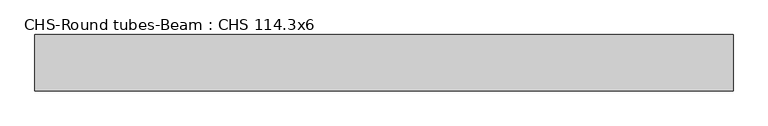
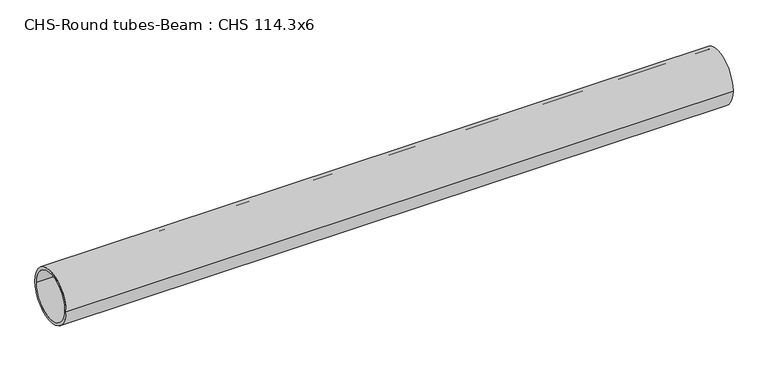
"""IFC4 building model written with IfcOpenShell, lengths in millimetres: beam geometry, CHS-Round tubes-Beam : CHS 114.3x6."""

from ifc_helpers import new_model, si_unit, point, frame, origin, origin_2d, place, context, project, spatial, circle_curve, trimmed, segment, composite_curve, outline, extrude, source, transform, mapped, element, save


def chs_round_tubes_beam_chs_114_3x6_7c3bb2f4(model_context):
    return source(origin(), model_context, "Body", "SweptSolid", [
        extrude(outline(composite_curve([segment(trimmed(circle_curve(origin_2d(), 57.15), [point((57.15, 0.0))], [point((-57.15, 0.0))], False, "CARTESIAN"), True, "CONTINUOUS"), segment(trimmed(circle_curve(origin_2d(), 57.15), [point((-57.15, 0.0))], [point((57.15, 0.0))], False, "CARTESIAN"), True, "CONTINUOUS")], self_intersect=False), holes=[composite_curve([segment(trimmed(circle_curve(origin_2d(), 51.15), [point((51.15, 0.0))], [point((-51.15, 0.0))], True, "CARTESIAN"), True, "CONTINUOUS"), segment(trimmed(circle_curve(origin_2d(), 51.15), [point((-51.15, 0.0))], [point((51.15, 0.0))], True, "CARTESIAN"), True, "CONTINUOUS")], self_intersect=False)]), frame((-703.1017712, 0.0, 0.0), z_axis=(1.0, 0.0, 0.0), x_axis=(0.0, 1.0, 0.0)), (0.0, 0.0, 1.0), 1417.5168718),
    ])


if __name__ == "__main__":
    model = new_model("IFC4")
    model_context = context("Model", 3, world=origin())
    ifc_project = project(units=[si_unit("LENGTHUNIT", "METRE", prefix="MILLI")], contexts=[model_context])
    site = spatial("IfcSite", under=ifc_project)
    building = spatial("IfcBuilding", under=site)
    placement = place(None, origin())
    chs_round_tubes_beam_chs_114_3x6_shape = chs_round_tubes_beam_chs_114_3x6_7c3bb2f4(model_context)
    element("IfcBeam", 1, ObjectType="CHS-Round tubes-Beam : CHS 114.3x6", at=placement, inside=building, context=model_context, shape_type="MappedRepresentation", body=[
        mapped(chs_round_tubes_beam_chs_114_3x6_shape, transform((0.0, 0.0, 0.0), x_axis=(1.0, 0.0, 0.0), y_axis=(0.0, 1.0, 0.0), z_axis=(0.0, 0.0, 1.0))),
    ])
    save(model, "model.ifc")
